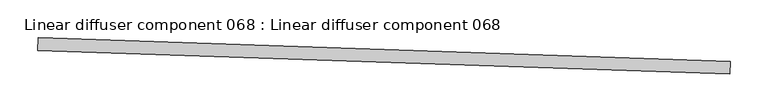
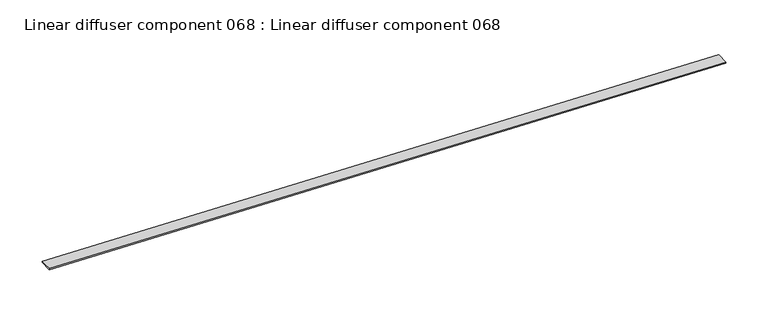
"""IFC4 building model written with IfcOpenShell, lengths in millimetres: proxy geometry, Linear diffuser component 068 : Linear diffuser component 068."""

import ifcopenshell
import ifcopenshell.guid

model = None  # the IFC model being written
_history = None  # IfcOwnerHistory: only IFC2X3 demands one
_inside = {}  # id of a spatial element -> (the spatial element, [elements in it])
_under = {}  # id of a project, library or spatial element -> (it, [spatial elements below it])
_declared = {}  # id of a project -> (the project, [libraries it declares])
_typed = {}  # id of a type object -> (the type object, [elements of that type])
_made_of = {}  # id of a material, layer set ... -> (it, [elements and type objects made of it])


def new_model(schema):
    """Start an empty IFC model of exactly this schema.

    Asked for "IFC4X3", IfcOpenShell would pick the latest addendum, in which some entities
    have other attributes; the version numbers below select the first issue.
    IFC2X3 requires an IfcOwnerHistory on every rooted entity: one is made here for all.
    """
    global model, _history
    if schema == "IFC4X3":
        model = ifcopenshell.file(schema_version=(4, 3, 0, 0))
    else:
        model = ifcopenshell.file(schema=schema)
    _inside.clear()
    _under.clear()
    _declared.clear()
    _typed.clear()
    _made_of.clear()
    _history = None
    if model.schema == "IFC2X3":
        org = make("IfcOrganization", Name="unknown")
        user = make(
            "IfcPersonAndOrganization",
            ThePerson=make("IfcPerson", FamilyName="unknown"),
            TheOrganization=org,
        )
        app = make(
            "IfcApplication",
            ApplicationDeveloper=org,
            Version="unknown",
            ApplicationFullName="unknown",
            ApplicationIdentifier="unknown",
        )
        _history = make(
            "IfcOwnerHistory",
            OwningUser=user,
            OwningApplication=app,
            ChangeAction="ADDED",
            CreationDate=0,
        )
    return model


def make(cls, **values):
    """One entity of the class cls with the attributes given. An attribute that is None is left unset."""
    return model.create_entity(
        cls, **{name: value for name, value in values.items() if value is not None}
    )


def rooted(cls, **values):
    """An entity with a GlobalId (a new one), such as an element, a storey or a relation."""
    return make(cls, GlobalId=ifcopenshell.guid.new(), OwnerHistory=_history, **values)


def si_unit(unit_type, name, prefix=None):
    """IfcSIUnit, for example si_unit("LENGTHUNIT", "METRE", prefix="MILLI")."""
    return make("IfcSIUnit", UnitType=unit_type, Prefix=prefix, Name=name)


def assignment(units):
    """IfcUnitAssignment: the units of a project."""
    return None if units is None else make("IfcUnitAssignment", Units=units)


def point(xyz):
    """IfcCartesianPoint."""
    return None if xyz is None else make("IfcCartesianPoint", Coordinates=xyz)


def direction(xyz):
    """IfcDirection."""
    return None if xyz is None else make("IfcDirection", DirectionRatios=xyz)


def frame(location, z_axis=None, x_axis=None):
    """IfcAxis2Placement3D, a coordinate frame: its origin and axes. An axis left out is left unset."""
    return make(
        "IfcAxis2Placement3D",
        Location=point(location),
        Axis=direction(z_axis),
        RefDirection=direction(x_axis),
    )


def origin():
    """The frame at (0, 0, 0) with its axes left unset."""
    return frame((0.0, 0.0, 0.0))


def place(relative_to, where):
    """IfcLocalPlacement: puts the frame where relative to a parent placement (None: the world)."""
    return make(
        "IfcLocalPlacement", PlacementRelTo=relative_to, RelativePlacement=where
    )


def context(
    kind, dimensions, precision=None, world=None, true_north=None, identifier=None
):
    """IfcGeometricRepresentationContext, for example the 3D "Model" context."""
    return make(
        "IfcGeometricRepresentationContext",
        ContextIdentifier=identifier,
        ContextType=kind,
        CoordinateSpaceDimension=dimensions,
        Precision=precision,
        WorldCoordinateSystem=world,
        TrueNorth=true_north,
    )


def project(units=None, contexts=None):
    """IfcProject with its units and contexts."""
    return rooted(
        "IfcProject",
        Name="project",
        RepresentationContexts=contexts,
        UnitsInContext=assignment(units),
    )


def spatial(cls, under=None, at=None, **own):
    """A site, building, storey or space (cls), placed at a placement, below another one or the project."""
    s = rooted(cls, ObjectPlacement=at, **own)
    if under is not None:
        _under.setdefault(under.id(), (under, []))[1].append(s)
    return s


def polyline(points):
    """IfcPolyline through the points."""
    return make("IfcPolyline", Points=[point(p) for p in points])


def outline(outer, holes=None, kind="AREA"):
    """IfcArbitraryClosedProfileDef: a profile drawn as a closed curve; with holes, ...WithVoids."""
    if holes is None:
        return make("IfcArbitraryClosedProfileDef", ProfileType=kind, OuterCurve=outer)
    return make(
        "IfcArbitraryProfileDefWithVoids",
        ProfileType=kind,
        OuterCurve=outer,
        InnerCurves=holes,
    )


def extrude(swept, where, along, depth):
    """IfcExtrudedAreaSolid: the profile swept, set in the frame where, extruded along a direction by depth."""
    return make(
        "IfcExtrudedAreaSolid",
        SweptArea=swept,
        Position=where,
        ExtrudedDirection=direction(along),
        Depth=depth,
    )


def shape(context_of_items, identifier, shape_type, items):
    """IfcShapeRepresentation: the items that make up one representation, for example the "Body"."""
    return make(
        "IfcShapeRepresentation",
        ContextOfItems=context_of_items,
        RepresentationIdentifier=identifier,
        RepresentationType=shape_type,
        Items=items,
    )


def source(mapping_origin, context_of_items, identifier, shape_type, items):
    """IfcRepresentationMap: a shape defined once, which mapped items show again and again."""
    return make(
        "IfcRepresentationMap",
        MappingOrigin=mapping_origin,
        MappedRepresentation=shape(context_of_items, identifier, shape_type, items),
    )


def transform(
    local_origin,
    x_axis=None,
    y_axis=None,
    z_axis=None,
    scale=None,
    scale2=None,
    scale3=None,
    uniform=True,
):
    """IfcCartesianTransformationOperator3D, or its non-uniform kind. x_axis, y_axis, z_axis: its Axis1, 2, 3."""
    if uniform:
        return make(
            "IfcCartesianTransformationOperator3D",
            Axis1=direction(x_axis),
            Axis2=direction(y_axis),
            LocalOrigin=point(local_origin),
            Scale=scale,
            Axis3=direction(z_axis),
        )
    return make(
        "IfcCartesianTransformationOperator3DnonUniform",
        Axis1=direction(x_axis),
        Axis2=direction(y_axis),
        LocalOrigin=point(local_origin),
        Scale=scale,
        Axis3=direction(z_axis),
        Scale2=scale2,
        Scale3=scale3,
    )


def mapped(mapping_source, mapping_target):
    """IfcMappedItem: shows the shape of a source again, moved by a transform."""
    return make(
        "IfcMappedItem", MappingSource=mapping_source, MappingTarget=mapping_target
    )


def made_of(thing, what):
    """Note that an element or type object is made of a material, layer set ...; save() writes the relation."""
    if what is not None:
        _made_of.setdefault(what.id(), (what, []))[1].append(thing)
    return thing


def element(
    cls,
    number,
    at=None,
    inside=None,
    cuts=None,
    type_object=None,
    material=None,
    context=None,
    identifier="Body",
    shape_type=None,
    held_by="IfcProductDefinitionShape",
    body=None,
    shapes=None,
    **own,
):
    """One element of the class cls, such as IfcWall. Its Tag is "e" and its number.

    at: its placement. inside: the storey or other place that contains it. cuts: it is an
    opening in that element (IfcRelVoidsElement). A single representation is given by context,
    identifier, shape_type and body (its items); several are given by shapes. held_by: the class
    of the entity that holds the representations. save() writes the other relations.
    """
    e = rooted(cls, Tag="e%d" % number, ObjectPlacement=at, **own)
    if body is not None:
        shapes = [shape(context, identifier, shape_type, body)]
    if shapes is not None:
        e.Representation = make(held_by, Representations=shapes)
    if inside is not None:
        _inside.setdefault(inside.id(), (inside, []))[1].append(e)
    if cuts is not None:
        rooted(
            "IfcRelVoidsElement", RelatingBuildingElement=cuts, RelatedOpeningElement=e
        )
    if type_object is not None:
        _typed.setdefault(type_object.id(), (type_object, []))[1].append(e)
    return made_of(e, material)


def aggregate(whole, parts):
    """IfcRelAggregates: a whole, such as a stair, and the parts it consists of."""
    return rooted("IfcRelAggregates", RelatingObject=whole, RelatedObjects=parts)


def save(model, path):
    """Write the relations noted so far, then the file.

    IfcRelAggregates (storeys below a building ...), IfcRelContainedInSpatialStructure (elements
    in a storey), IfcRelDefinesByType, IfcRelAssociatesMaterial and IfcRelDeclares: one each for
    every whole, place, type object, material and project.
    """
    for whole, parts in _under.values():
        aggregate(whole, parts)
    for where, things in _inside.values():
        rooted(
            "IfcRelContainedInSpatialStructure",
            RelatedElements=things,
            RelatingStructure=where,
        )
    for kind, things in _typed.values():
        rooted("IfcRelDefinesByType", RelatedObjects=things, RelatingType=kind)
    for what, things in _made_of.values():
        rooted("IfcRelAssociatesMaterial", RelatedObjects=things, RelatingMaterial=what)
    for by, libraries in _declared.values():
        rooted("IfcRelDeclares", RelatingContext=by, RelatedDefinitions=libraries)
    model.write(path)


def linear_diffuser_component_068_linear_diffuser_component_068_d5b4efe2(model_context):
    return source(origin(), model_context, "Body", "SweptSolid", [
        extrude(outline(polyline([(33428.3027973, -15801.764362), (33428.8851772, -15784.7465581), (34342.7502056, -15816.0206674), (34342.1678257, -15833.0384714), (33428.3027973, -15801.764362)])), frame((0.0, 0.0, 2967.0605172), z_axis=(0.0, 0.0, 1.0), x_axis=(1.0, 0.0, 0.0)), (0.0, 0.0, 1.0), 1.9356634),
    ])


if __name__ == "__main__":
    model = new_model("IFC4")
    model_context = context("Model", 3, world=origin())
    ifc_project = project(units=[si_unit("LENGTHUNIT", "METRE", prefix="MILLI")], contexts=[model_context])
    site = spatial("IfcSite", under=ifc_project)
    building = spatial("IfcBuilding", under=site)
    placement = place(None, origin())
    linear_diffuser_component_068_linear_diffuser_component_068_shape = linear_diffuser_component_068_linear_diffuser_component_068_d5b4efe2(model_context)
    element("IfcBuildingElementProxy", 1, Name="Linear diffuser component 068 : Linear diffuser component 068", ObjectType="Linear diffuser component 068 : Linear diffuser component 068", at=placement, inside=building, context=model_context, shape_type="MappedRepresentation", body=[
        mapped(linear_diffuser_component_068_linear_diffuser_component_068_shape, transform((0.0, 0.0, 0.0), x_axis=(1.0, 0.0, 0.0), y_axis=(0.0, 1.0, 0.0), z_axis=(0.0, 0.0, 1.0))),
    ])
    save(model, "model.ifc")
